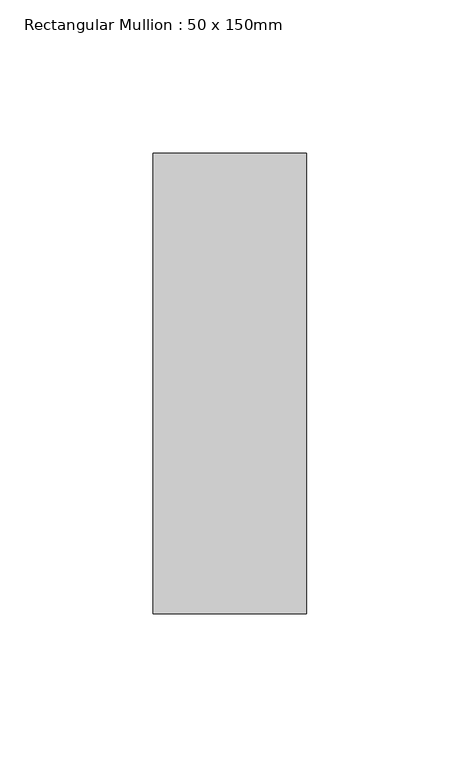
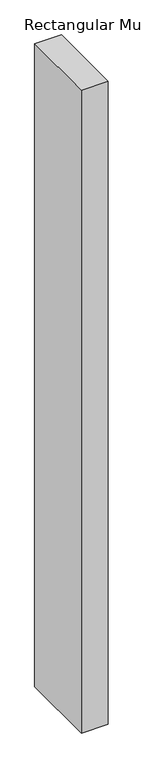
"""IFC4 building model written with IfcOpenShell, lengths in millimetres: member geometry, Rectangular Mullion : 50 x 150mm."""

from ifc_helpers import new_model, si_unit, frame, origin, place, context, project, spatial, polyline, outline, extrude, source, transform, mapped, element, save


def rectangular_mullion_50_x_150mm_59cbe5eb(model_context):
    return source(origin(), model_context, "Body", "SweptSolid", [
        extrude(outline(polyline([(0.0, 75.0), (0.0, -75.0), (-50.0, -75.0), (-50.0, 75.0), (0.0, 75.0)])), frame((0.0, 0.0, -1262.5), z_axis=(0.0, 0.0, 1.0), x_axis=(1.0, 0.0, 0.0)), (0.0, 0.0, 1.0), 1262.5),
    ])


if __name__ == "__main__":
    model = new_model("IFC4")
    model_context = context("Model", 3, world=origin())
    ifc_project = project(units=[si_unit("LENGTHUNIT", "METRE", prefix="MILLI")], contexts=[model_context])
    site = spatial("IfcSite", under=ifc_project)
    building = spatial("IfcBuilding", under=site)
    placement = place(None, origin())
    rectangular_mullion_50_x_150mm_shape = rectangular_mullion_50_x_150mm_59cbe5eb(model_context)
    element("IfcMember", 1, ObjectType="Rectangular Mullion : 50 x 150mm", at=placement, inside=building, context=model_context, shape_type="MappedRepresentation", body=[
        mapped(rectangular_mullion_50_x_150mm_shape, transform((0.0, 0.0, 0.0), x_axis=(1.0, 0.0, 0.0), y_axis=(0.0, 1.0, 0.0), z_axis=(0.0, 0.0, 1.0))),
    ])
    save(model, "model.ifc")
